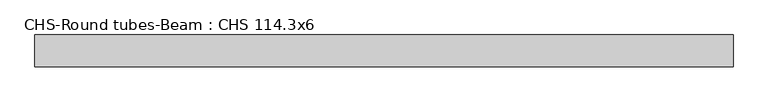
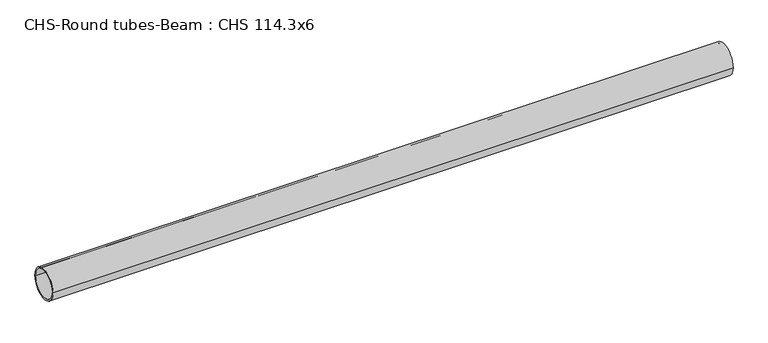
"""IFC4 building model written with IfcOpenShell, lengths in millimetres: beam geometry, CHS-Round tubes-Beam : CHS 114.3x6."""

from ifc_helpers import new_model, si_unit, point, frame, origin, origin_2d, place, context, project, spatial, circle_curve, trimmed, segment, composite_curve, outline, extrude, source, transform, mapped, element, save


def chs_round_tubes_beam_chs_114_3x6_c7c33fb2(model_context):
    return source(origin(), model_context, "Body", "SweptSolid", [
        extrude(outline(composite_curve([segment(trimmed(circle_curve(origin_2d(), 57.15), [point((57.15, 0.0))], [point((-57.15, 0.0))], False, "CARTESIAN"), True, "CONTINUOUS"), segment(trimmed(circle_curve(origin_2d(), 57.15), [point((-57.15, 0.0))], [point((57.15, 0.0))], False, "CARTESIAN"), True, "CONTINUOUS")], self_intersect=False), holes=[composite_curve([segment(trimmed(circle_curve(origin_2d(), 51.15), [point((51.15, 0.0))], [point((-51.15, 0.0))], True, "CARTESIAN"), True, "CONTINUOUS"), segment(trimmed(circle_curve(origin_2d(), 51.15), [point((-51.15, 0.0))], [point((51.15, 0.0))], True, "CARTESIAN"), True, "CONTINUOUS")], self_intersect=False)]), frame((-1191.5516985, 0.0, 0.0), z_axis=(1.0, 0.0, 0.0), x_axis=(0.0, 1.0, 0.0)), (0.0, 0.0, 1.0), 2488.0681437),
    ])


if __name__ == "__main__":
    model = new_model("IFC4")
    model_context = context("Model", 3, world=origin())
    ifc_project = project(units=[si_unit("LENGTHUNIT", "METRE", prefix="MILLI")], contexts=[model_context])
    site = spatial("IfcSite", under=ifc_project)
    building = spatial("IfcBuilding", under=site)
    placement = place(None, origin())
    chs_round_tubes_beam_chs_114_3x6_shape = chs_round_tubes_beam_chs_114_3x6_c7c33fb2(model_context)
    element("IfcBeam", 1, ObjectType="CHS-Round tubes-Beam : CHS 114.3x6", at=placement, inside=building, context=model_context, shape_type="MappedRepresentation", body=[
        mapped(chs_round_tubes_beam_chs_114_3x6_shape, transform((0.0, 0.0, 0.0), x_axis=(1.0, 0.0, 0.0), y_axis=(0.0, 1.0, 0.0), z_axis=(0.0, 0.0, 1.0))),
    ])
    save(model, "model.ifc")
